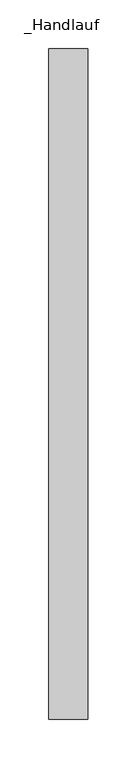
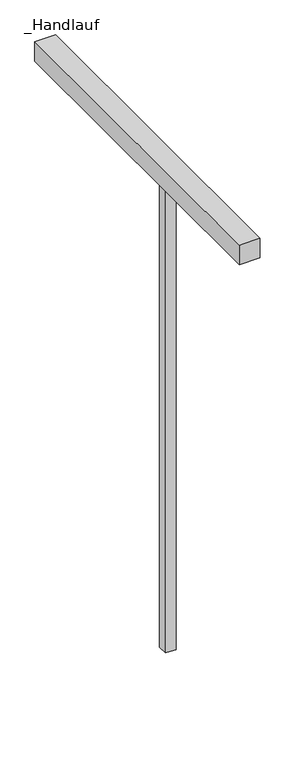
"""IFC4 building model written with IfcOpenShell, lengths in millimetres: railing geometry, _Handlauf."""

from ifc_helpers import new_model, si_unit, frame, origin, place, context, project, spatial, polyline, outline, extrude, source, transform, mapped, element, save


def handlauf_26563fce(model_context):
    return source(origin(), model_context, "Body", "SweptSolid", [
        extrude(outline(polyline([(1960.0, 5050.0), (2000.0, 5050.0), (2000.0, 4362.6), (1960.0, 4362.6), (1960.0, 5050.0)])), frame((0.0, 0.0, 7960.0), z_axis=(0.0, 0.0, 1.0), x_axis=(1.0, 0.0, 0.0)), (0.0, 0.0, 1.0), 40.0),
        extrude(outline(polyline([(1970.0, 4647.56), (1990.0, 4647.56), (1990.0, 4627.56), (1970.0, 4627.56), (1970.0, 4647.56)])), frame((0.0, 0.0, 7000.0), z_axis=(0.0, 0.0, 1.0), x_axis=(1.0, 0.0, 0.0)), (0.0, 0.0, 1.0), 960.0),
    ])


if __name__ == "__main__":
    model = new_model("IFC4")
    model_context = context("Model", 3, world=origin())
    ifc_project = project(units=[si_unit("LENGTHUNIT", "METRE", prefix="MILLI")], contexts=[model_context])
    site = spatial("IfcSite", under=ifc_project)
    building = spatial("IfcBuilding", under=site)
    placement = place(None, origin())
    handlauf_shape = handlauf_26563fce(model_context)
    element("IfcRailing", 1, ObjectType="_Handlauf", at=placement, inside=building, context=model_context, shape_type="MappedRepresentation", body=[
        mapped(handlauf_shape, transform((0.0, 0.0, 0.0), x_axis=(1.0, 0.0, 0.0), y_axis=(0.0, 1.0, 0.0), z_axis=(0.0, 0.0, 1.0))),
    ])
    save(model, "model.ifc")
